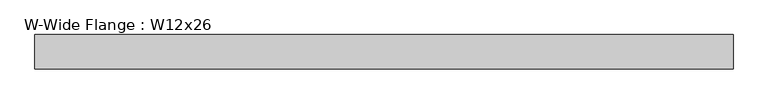
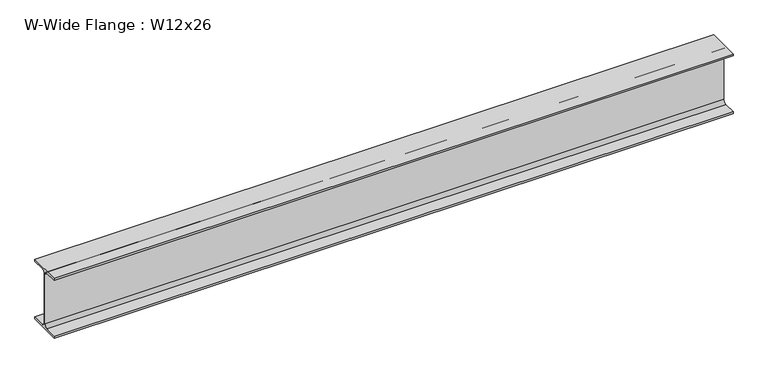
"""IFC4 building model written with IfcOpenShell, lengths in millimetres: beam geometry, W-Wide Flange : W12x26."""

from ifc_helpers import new_model, si_unit, point, frame, frame_2d, origin, place, context, project, spatial, polyline, circle_curve, trimmed, segment, composite_curve, outline, extrude, source, transform, mapped, element, save


def w_wide_flange_w12x26_f4e38137(model_context):
    return source(origin(), model_context, "Body", "SweptSolid", [
        extrude(outline(composite_curve([segment(polyline([(82.423, -145.288), (82.423, -154.94), (-82.423, -154.94), (-82.423, -145.288), (-20.2565, -145.288)]), True, "CONTINUOUS"), segment(trimmed(circle_curve(frame_2d((-20.2565, -127.9525)), 17.3355), [point((-20.2565, -145.288))], [point((-2.921, -127.9525))], True, "CARTESIAN"), True, "CONTINUOUS"), segment(polyline([(-2.921, -127.9525), (-2.921, 127.9525)]), True, "CONTINUOUS"), segment(trimmed(circle_curve(frame_2d((-20.2565, 127.9525)), 17.3355), [point((-2.921, 127.9525))], [point((-20.2565, 145.288))], True, "CARTESIAN"), True, "CONTINUOUS"), segment(polyline([(-20.2565, 145.288), (-82.423, 145.288), (-82.423, 154.94), (82.423, 154.94), (82.423, 145.288), (20.2565, 145.288)]), True, "CONTINUOUS"), segment(trimmed(circle_curve(frame_2d((20.2565, 127.9525)), 17.3355), [point((20.2565, 145.288))], [point((2.921, 127.9525))], True, "CARTESIAN"), True, "CONTINUOUS"), segment(polyline([(2.921, 127.9525), (2.921, -127.9525)]), True, "CONTINUOUS"), segment(trimmed(circle_curve(frame_2d((20.2565, -127.9525)), 17.3355), [point((2.921, -127.9525))], [point((20.2565, -145.288))], True, "CARTESIAN"), True, "CONTINUOUS"), segment(polyline([(20.2565, -145.288), (82.423, -145.288)]), True, "CONTINUOUS")], self_intersect=False)), frame((-1707.5036546, 0.0, 0.0), z_axis=(1.0, 0.0, 0.0), x_axis=(0.0, 1.0, 0.0)), (0.0, 0.0, 1.0), 3339.1205905),
    ])


if __name__ == "__main__":
    model = new_model("IFC4")
    model_context = context("Model", 3, world=origin())
    ifc_project = project(units=[si_unit("LENGTHUNIT", "METRE", prefix="MILLI")], contexts=[model_context])
    site = spatial("IfcSite", under=ifc_project)
    building = spatial("IfcBuilding", under=site)
    placement = place(None, origin())
    w_wide_flange_w12x26_shape = w_wide_flange_w12x26_f4e38137(model_context)
    element("IfcBeam", 1, ObjectType="W-Wide Flange : W12x26", at=placement, inside=building, context=model_context, shape_type="MappedRepresentation", body=[
        mapped(w_wide_flange_w12x26_shape, transform((0.0, 0.0, 0.0), x_axis=(1.0, 0.0, 0.0), y_axis=(0.0, 1.0, 0.0), z_axis=(0.0, 0.0, 1.0))),
    ])
    save(model, "model.ifc")
